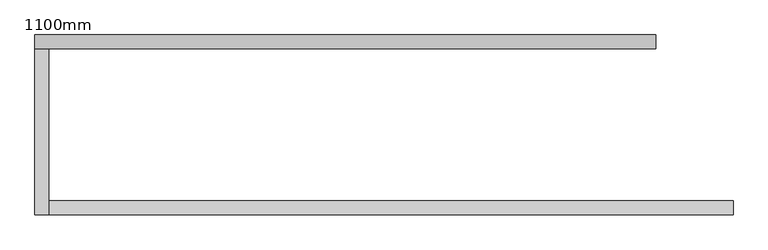
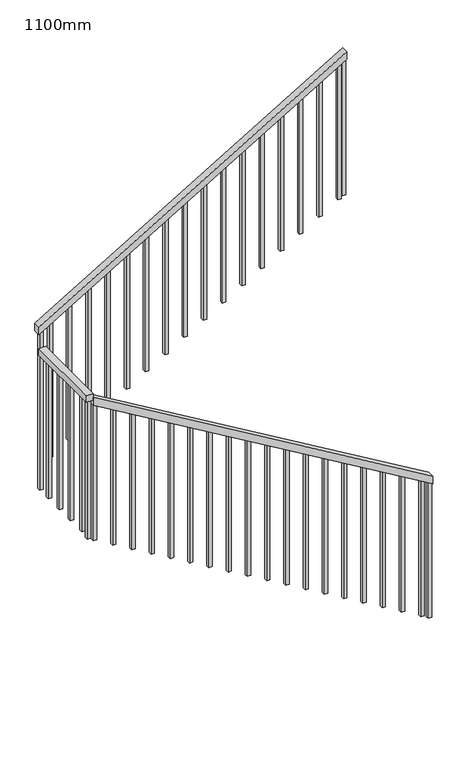
"""IFC4 building model written with IfcOpenShell, lengths in millimetres: railing geometry, 1100mm."""

from ifc_helpers import new_model, si_unit, frame, origin, place, context, project, spatial, polyline, outline, extrude, source, transform, mapped, element, save


def railing_1100mm_15024f15(model_context):
    return source(origin(), model_context, "Body", "SweptSolid", [
        extrude(outline(polyline([(11208.4792885, 2457.6359883), (11266.6666667, 2457.6359883), (12736.9047619, -12.3640117), (12678.7173838, -12.3640117), (11208.4792885, 2457.6359883)])), frame((0.0, 32334.0312544, 0.0), z_axis=(0.0, 1.0, 0.0), x_axis=(0.0, 0.0, 1.0)), (0.0, 0.0, 1.0), 50.0),
        extrude(outline(polyline([(-12.3640117, 32334.0312544), (-62.3640117, 32334.0312544), (-62.3640117, 32932.429968), (-12.3640117, 32932.429968), (-12.3640117, 32334.0312544)])), frame((0.0, 0.0, 12716.6666667), z_axis=(0.0, 0.0, 1.0), x_axis=(1.0, 0.0, 0.0)), (0.0, 0.0, 1.0), 50.0),
        extrude(outline(polyline([(12933.3333333, -62.3640117), (12875.1459552, -62.3640117), (14208.4792885, 2177.6359883), (14266.6666667, 2177.6359883), (12933.3333333, -62.3640117)])), frame((0.0, 32932.429968, 0.0), z_axis=(0.0, 1.0, 0.0), x_axis=(0.0, 0.0, 1.0)), (0.0, 0.0, 1.0), 50.0),
        extrude(outline(polyline([(14174.253098, 2120.1359883), (13139.8809524, 2120.1359883), (13139.8809524, 2145.1359883), (14189.1340504, 2145.1359883), (14174.253098, 2120.1359883)])), frame((0.0, 32944.929968, 0.0), z_axis=(0.0, 1.0, 0.0), x_axis=(0.0, 0.0, 1.0)), (0.0, 0.0, 1.0), 25.0),
        extrude(outline(polyline([(14090.9197647, 1980.1359883), (13056.547619, 1980.1359883), (13056.547619, 2005.1359883), (14105.8007171, 2005.1359883), (14090.9197647, 1980.1359883)])), frame((0.0, 32944.929968, 0.0), z_axis=(0.0, 1.0, 0.0), x_axis=(0.0, 0.0, 1.0)), (0.0, 0.0, 1.0), 25.0),
        extrude(outline(polyline([(14007.5864314, 1840.1359883), (12973.2142857, 1840.1359883), (12973.2142857, 1865.1359883), (14022.4673838, 1865.1359883), (14007.5864314, 1840.1359883)])), frame((0.0, 32944.929968, 0.0), z_axis=(0.0, 1.0, 0.0), x_axis=(0.0, 0.0, 1.0)), (0.0, 0.0, 1.0), 25.0),
        extrude(outline(polyline([(13924.253098, 1700.1359883), (12889.8809524, 1700.1359883), (12889.8809524, 1725.1359883), (13939.1340504, 1725.1359883), (13924.253098, 1700.1359883)])), frame((0.0, 32944.929968, 0.0), z_axis=(0.0, 1.0, 0.0), x_axis=(0.0, 0.0, 1.0)), (0.0, 0.0, 1.0), 25.0),
        extrude(outline(polyline([(13840.9197647, 1560.1359883), (12806.547619, 1560.1359883), (12806.547619, 1585.1359883), (13855.8007171, 1585.1359883), (13840.9197647, 1560.1359883)])), frame((0.0, 32944.929968, 0.0), z_axis=(0.0, 1.0, 0.0), x_axis=(0.0, 0.0, 1.0)), (0.0, 0.0, 1.0), 25.0),
        extrude(outline(polyline([(13757.5864314, 1420.1359883), (12723.2142857, 1420.1359883), (12723.2142857, 1445.1359883), (13772.4673838, 1445.1359883), (13757.5864314, 1420.1359883)])), frame((0.0, 32944.929968, 0.0), z_axis=(0.0, 1.0, 0.0), x_axis=(0.0, 0.0, 1.0)), (0.0, 0.0, 1.0), 25.0),
        extrude(outline(polyline([(13674.253098, 1280.1359883), (12639.8809524, 1280.1359883), (12639.8809524, 1305.1359883), (13689.1340504, 1305.1359883), (13674.253098, 1280.1359883)])), frame((0.0, 32944.929968, 0.0), z_axis=(0.0, 1.0, 0.0), x_axis=(0.0, 0.0, 1.0)), (0.0, 0.0, 1.0), 25.0),
        extrude(outline(polyline([(13590.9197647, 1140.1359883), (12556.547619, 1140.1359883), (12556.547619, 1165.1359883), (13605.8007171, 1165.1359883), (13590.9197647, 1140.1359883)])), frame((0.0, 32944.929968, 0.0), z_axis=(0.0, 1.0, 0.0), x_axis=(0.0, 0.0, 1.0)), (0.0, 0.0, 1.0), 25.0),
        extrude(outline(polyline([(13507.5864314, 1000.1359883), (12473.2142857, 1000.1359883), (12473.2142857, 1025.1359883), (13522.4673838, 1025.1359883), (13507.5864314, 1000.1359883)])), frame((0.0, 32944.929968, 0.0), z_axis=(0.0, 1.0, 0.0), x_axis=(0.0, 0.0, 1.0)), (0.0, 0.0, 1.0), 25.0),
        extrude(outline(polyline([(13424.253098, 860.1359883), (12389.8809524, 860.1359883), (12389.8809524, 885.1359883), (13439.1340504, 885.1359883), (13424.253098, 860.1359883)])), frame((0.0, 32944.929968, 0.0), z_axis=(0.0, 1.0, 0.0), x_axis=(0.0, 0.0, 1.0)), (0.0, 0.0, 1.0), 25.0),
        extrude(outline(polyline([(13340.9197647, 720.1359883), (12306.547619, 720.1359883), (12306.547619, 745.1359883), (13355.8007171, 745.1359883), (13340.9197647, 720.1359883)])), frame((0.0, 32944.929968, 0.0), z_axis=(0.0, 1.0, 0.0), x_axis=(0.0, 0.0, 1.0)), (0.0, 0.0, 1.0), 25.0),
        extrude(outline(polyline([(13257.5864314, 580.1359883), (12223.2142857, 580.1359883), (12223.2142857, 605.1359883), (13272.4673838, 605.1359883), (13257.5864314, 580.1359883)])), frame((0.0, 32944.929968, 0.0), z_axis=(0.0, 1.0, 0.0), x_axis=(0.0, 0.0, 1.0)), (0.0, 0.0, 1.0), 25.0),
        extrude(outline(polyline([(13174.253098, 440.1359883), (12139.8809524, 440.1359883), (12139.8809524, 465.1359883), (13189.1340504, 465.1359883), (13174.253098, 440.1359883)])), frame((0.0, 32944.929968, 0.0), z_axis=(0.0, 1.0, 0.0), x_axis=(0.0, 0.0, 1.0)), (0.0, 0.0, 1.0), 25.0),
        extrude(outline(polyline([(13090.9197647, 300.1359883), (12056.547619, 300.1359883), (12056.547619, 325.1359883), (13105.8007171, 325.1359883), (13090.9197647, 300.1359883)])), frame((0.0, 32944.929968, 0.0), z_axis=(0.0, 1.0, 0.0), x_axis=(0.0, 0.0, 1.0)), (0.0, 0.0, 1.0), 25.0),
        extrude(outline(polyline([(13007.5864314, 160.1359883), (11973.2142857, 160.1359883), (11973.2142857, 185.1359883), (13022.4673838, 185.1359883), (13007.5864314, 160.1359883)])), frame((0.0, 32944.929968, 0.0), z_axis=(0.0, 1.0, 0.0), x_axis=(0.0, 0.0, 1.0)), (0.0, 0.0, 1.0), 25.0),
        extrude(outline(polyline([(12924.253098, 20.1359883), (11889.8809524, 20.1359883), (11889.8809524, 45.1359883), (12939.1340504, 45.1359883), (12924.253098, 20.1359883)])), frame((0.0, 32944.929968, 0.0), z_axis=(0.0, 1.0, 0.0), x_axis=(0.0, 0.0, 1.0)), (0.0, 0.0, 1.0), 25.0),
        extrude(outline(polyline([(-24.8640117, 32836.5312544), (-49.8640117, 32836.5312544), (-49.8640117, 32861.5312544), (-24.8640117, 32861.5312544), (-24.8640117, 32836.5312544)])), frame((0.0, 0.0, 11666.6666667), z_axis=(0.0, 0.0, 1.0), x_axis=(1.0, 0.0, 0.0)), (0.0, 0.0, 1.0), 1050.0),
        extrude(outline(polyline([(-24.8640117, 32696.5312544), (-49.8640117, 32696.5312544), (-49.8640117, 32721.5312544), (-24.8640117, 32721.5312544), (-24.8640117, 32696.5312544)])), frame((0.0, 0.0, 11666.6666667), z_axis=(0.0, 0.0, 1.0), x_axis=(1.0, 0.0, 0.0)), (0.0, 0.0, 1.0), 1050.0),
        extrude(outline(polyline([(-24.8640117, 32556.5312544), (-49.8640117, 32556.5312544), (-49.8640117, 32581.5312544), (-24.8640117, 32581.5312544), (-24.8640117, 32556.5312544)])), frame((0.0, 0.0, 11666.6666667), z_axis=(0.0, 0.0, 1.0), x_axis=(1.0, 0.0, 0.0)), (0.0, 0.0, 1.0), 1050.0),
        extrude(outline(polyline([(-24.8640117, 32416.5312544), (-49.8640117, 32416.5312544), (-49.8640117, 32441.5312544), (-24.8640117, 32441.5312544), (-24.8640117, 32416.5312544)])), frame((0.0, 0.0, 11666.6666667), z_axis=(0.0, 0.0, 1.0), x_axis=(1.0, 0.0, 0.0)), (0.0, 0.0, 1.0), 1050.0),
        extrude(outline(polyline([(11625.0, 20.1359883), (12659.3721457, 20.1359883), (12674.253098, -4.8640117), (11625.0, -4.8640117), (11625.0, 20.1359883)])), frame((0.0, 32346.5312544, 0.0), z_axis=(0.0, 1.0, 0.0), x_axis=(0.0, 0.0, 1.0)), (0.0, 0.0, 1.0), 25.0),
        extrude(outline(polyline([(11541.6666667, 160.1359883), (12576.0388123, 160.1359883), (12590.9197647, 135.1359883), (11541.6666667, 135.1359883), (11541.6666667, 160.1359883)])), frame((0.0, 32346.5312544, 0.0), z_axis=(0.0, 1.0, 0.0), x_axis=(0.0, 0.0, 1.0)), (0.0, 0.0, 1.0), 25.0),
        extrude(outline(polyline([(11458.3333333, 300.1359883), (12492.705479, 300.1359883), (12507.5864314, 275.1359883), (11458.3333333, 275.1359883), (11458.3333333, 300.1359883)])), frame((0.0, 32346.5312544, 0.0), z_axis=(0.0, 1.0, 0.0), x_axis=(0.0, 0.0, 1.0)), (0.0, 0.0, 1.0), 25.0),
        extrude(outline(polyline([(11375.0, 440.1359883), (12409.3721457, 440.1359883), (12424.253098, 415.1359883), (11375.0, 415.1359883), (11375.0, 440.1359883)])), frame((0.0, 32346.5312544, 0.0), z_axis=(0.0, 1.0, 0.0), x_axis=(0.0, 0.0, 1.0)), (0.0, 0.0, 1.0), 25.0),
        extrude(outline(polyline([(11291.6666667, 580.1359883), (12326.0388123, 580.1359883), (12340.9197647, 555.1359883), (11291.6666667, 555.1359883), (11291.6666667, 580.1359883)])), frame((0.0, 32346.5312544, 0.0), z_axis=(0.0, 1.0, 0.0), x_axis=(0.0, 0.0, 1.0)), (0.0, 0.0, 1.0), 25.0),
        extrude(outline(polyline([(11208.3333333, 720.1359883), (12242.705479, 720.1359883), (12257.5864314, 695.1359883), (11208.3333333, 695.1359883), (11208.3333333, 720.1359883)])), frame((0.0, 32346.5312544, 0.0), z_axis=(0.0, 1.0, 0.0), x_axis=(0.0, 0.0, 1.0)), (0.0, 0.0, 1.0), 25.0),
        extrude(outline(polyline([(11125.0, 860.1359883), (12159.3721457, 860.1359883), (12174.253098, 835.1359883), (11125.0, 835.1359883), (11125.0, 860.1359883)])), frame((0.0, 32346.5312544, 0.0), z_axis=(0.0, 1.0, 0.0), x_axis=(0.0, 0.0, 1.0)), (0.0, 0.0, 1.0), 25.0),
        extrude(outline(polyline([(11041.6666667, 1000.1359883), (12076.0388123, 1000.1359883), (12090.9197647, 975.1359883), (11041.6666667, 975.1359883), (11041.6666667, 1000.1359883)])), frame((0.0, 32346.5312544, 0.0), z_axis=(0.0, 1.0, 0.0), x_axis=(0.0, 0.0, 1.0)), (0.0, 0.0, 1.0), 25.0),
        extrude(outline(polyline([(10958.3333333, 1140.1359883), (11992.705479, 1140.1359883), (12007.5864314, 1115.1359883), (10958.3333333, 1115.1359883), (10958.3333333, 1140.1359883)])), frame((0.0, 32346.5312544, 0.0), z_axis=(0.0, 1.0, 0.0), x_axis=(0.0, 0.0, 1.0)), (0.0, 0.0, 1.0), 25.0),
        extrude(outline(polyline([(10875.0, 1280.1359883), (11909.3721457, 1280.1359883), (11924.253098, 1255.1359883), (10875.0, 1255.1359883), (10875.0, 1280.1359883)])), frame((0.0, 32346.5312544, 0.0), z_axis=(0.0, 1.0, 0.0), x_axis=(0.0, 0.0, 1.0)), (0.0, 0.0, 1.0), 25.0),
        extrude(outline(polyline([(10791.6666667, 1420.1359883), (11826.0388123, 1420.1359883), (11840.9197647, 1395.1359883), (10791.6666667, 1395.1359883), (10791.6666667, 1420.1359883)])), frame((0.0, 32346.5312544, 0.0), z_axis=(0.0, 1.0, 0.0), x_axis=(0.0, 0.0, 1.0)), (0.0, 0.0, 1.0), 25.0),
        extrude(outline(polyline([(10708.3333333, 1560.1359883), (11742.705479, 1560.1359883), (11757.5864314, 1535.1359883), (10708.3333333, 1535.1359883), (10708.3333333, 1560.1359883)])), frame((0.0, 32346.5312544, 0.0), z_axis=(0.0, 1.0, 0.0), x_axis=(0.0, 0.0, 1.0)), (0.0, 0.0, 1.0), 25.0),
        extrude(outline(polyline([(10625.0, 1700.1359883), (11659.3721457, 1700.1359883), (11674.253098, 1675.1359883), (10625.0, 1675.1359883), (10625.0, 1700.1359883)])), frame((0.0, 32346.5312544, 0.0), z_axis=(0.0, 1.0, 0.0), x_axis=(0.0, 0.0, 1.0)), (0.0, 0.0, 1.0), 25.0),
        extrude(outline(polyline([(10541.6666667, 1840.1359883), (11576.0388123, 1840.1359883), (11590.9197647, 1815.1359883), (10541.6666667, 1815.1359883), (10541.6666667, 1840.1359883)])), frame((0.0, 32346.5312544, 0.0), z_axis=(0.0, 1.0, 0.0), x_axis=(0.0, 0.0, 1.0)), (0.0, 0.0, 1.0), 25.0),
        extrude(outline(polyline([(10458.3333333, 1980.1359883), (11492.705479, 1980.1359883), (11507.5864314, 1955.1359883), (10458.3333333, 1955.1359883), (10458.3333333, 1980.1359883)])), frame((0.0, 32346.5312544, 0.0), z_axis=(0.0, 1.0, 0.0), x_axis=(0.0, 0.0, 1.0)), (0.0, 0.0, 1.0), 25.0),
        extrude(outline(polyline([(10375.0, 2120.1359883), (11409.3721457, 2120.1359883), (11424.253098, 2095.1359883), (10375.0, 2095.1359883), (10375.0, 2120.1359883)])), frame((0.0, 32346.5312544, 0.0), z_axis=(0.0, 1.0, 0.0), x_axis=(0.0, 0.0, 1.0)), (0.0, 0.0, 1.0), 25.0),
        extrude(outline(polyline([(10291.6666667, 2260.1359883), (11326.0388123, 2260.1359883), (11340.9197647, 2235.1359883), (10291.6666667, 2235.1359883), (10291.6666667, 2260.1359883)])), frame((0.0, 32346.5312544, 0.0), z_axis=(0.0, 1.0, 0.0), x_axis=(0.0, 0.0, 1.0)), (0.0, 0.0, 1.0), 25.0),
        extrude(outline(polyline([(10208.3333333, 2400.1359883), (11242.705479, 2400.1359883), (11257.5864314, 2375.1359883), (10208.3333333, 2375.1359883), (10208.3333333, 2400.1359883)])), frame((0.0, 32346.5312544, 0.0), z_axis=(0.0, 1.0, 0.0), x_axis=(0.0, 0.0, 1.0)), (0.0, 0.0, 1.0), 25.0),
        extrude(outline(polyline([(12882.5864314, -49.8640117), (11666.6666667, -49.8640117), (11666.6666667, -24.8640117), (12897.4673838, -24.8640117), (12882.5864314, -49.8640117)])), frame((0.0, 32944.929968, 0.0), z_axis=(0.0, 1.0, 0.0), x_axis=(0.0, 0.0, 1.0)), (0.0, 0.0, 1.0), 25.0),
        extrude(outline(polyline([(-24.8640117, 32346.5312544), (-49.8640117, 32346.5312544), (-49.8640117, 32371.5312544), (-24.8640117, 32371.5312544), (-24.8640117, 32346.5312544)])), frame((0.0, 0.0, 11651.7857143), z_axis=(0.0, 0.0, 1.0), x_axis=(1.0, 0.0, 0.0)), (0.0, 0.0, 1.0), 1064.8809524),
        extrude(outline(polyline([(14193.5983361, 2152.6359883), (13159.2261905, 2152.6359883), (13159.2261905, 2177.6359883), (14208.4792885, 2177.6359883), (14193.5983361, 2152.6359883)])), frame((0.0, 32944.929968, 0.0), z_axis=(0.0, 1.0, 0.0), x_axis=(0.0, 0.0, 1.0)), (0.0, 0.0, 1.0), 25.0),
        extrude(outline(polyline([(10174.1071429, 2457.6359883), (11208.4792885, 2457.6359883), (11223.3602409, 2432.6359883), (10174.1071429, 2432.6359883), (10174.1071429, 2457.6359883)])), frame((0.0, 32346.5312544, 0.0), z_axis=(0.0, 1.0, 0.0), x_axis=(0.0, 0.0, 1.0)), (0.0, 0.0, 1.0), 25.0),
    ])


if __name__ == "__main__":
    model = new_model("IFC4")
    model_context = context("Model", 3, world=origin())
    ifc_project = project(units=[si_unit("LENGTHUNIT", "METRE", prefix="MILLI")], contexts=[model_context])
    site = spatial("IfcSite", under=ifc_project)
    building = spatial("IfcBuilding", under=site)
    placement = place(None, origin())
    railing_1100mm_shape = railing_1100mm_15024f15(model_context)
    element("IfcRailing", 1, ObjectType="1100mm", at=placement, inside=building, context=model_context, shape_type="MappedRepresentation", body=[
        mapped(railing_1100mm_shape, transform((0.0, 0.0, 0.0), x_axis=(1.0, 0.0, 0.0), y_axis=(0.0, 1.0, 0.0), z_axis=(0.0, 0.0, 1.0))),
    ])
    save(model, "model.ifc")
